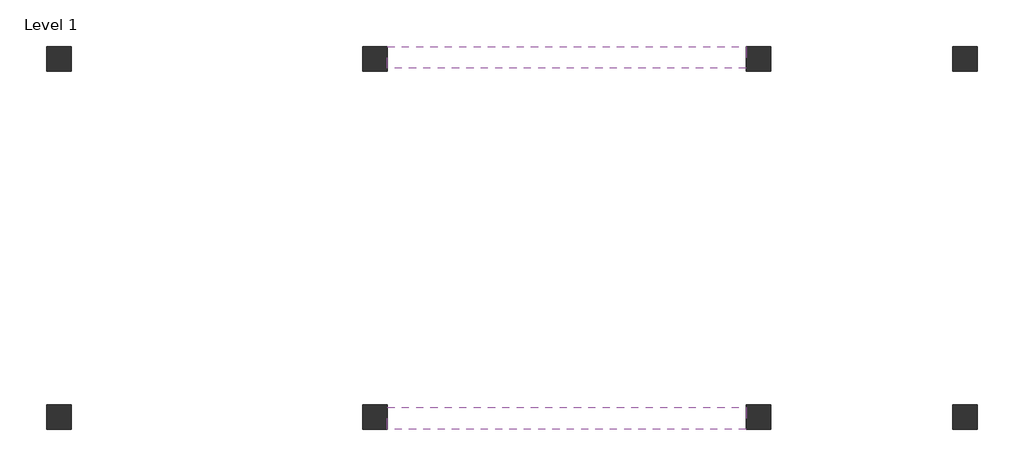
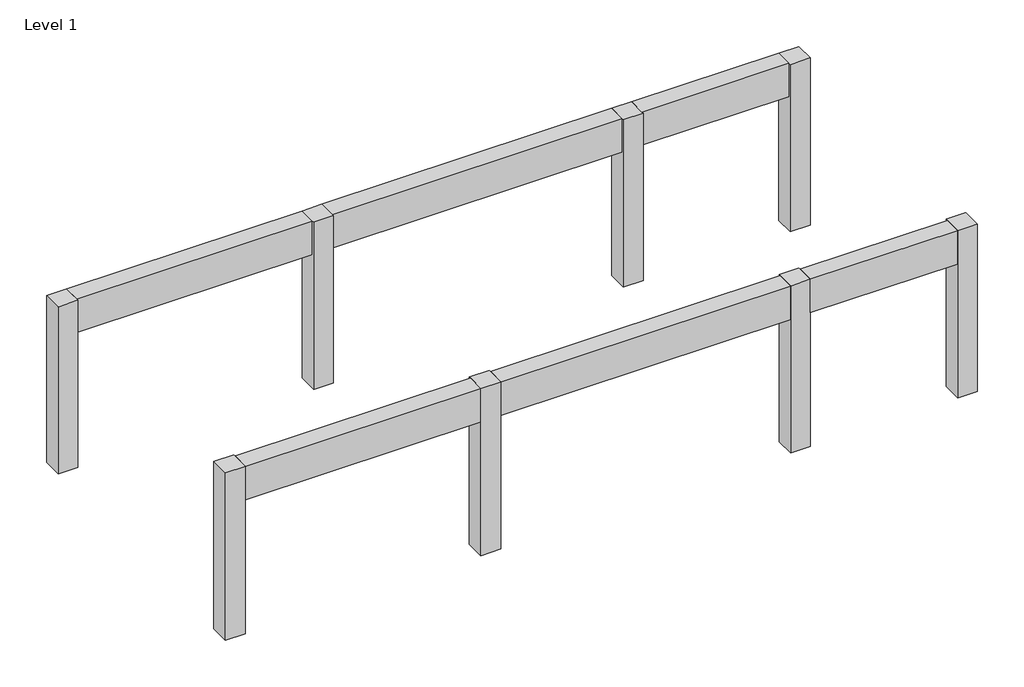
# One storey: 8 columns, 2 beams.
"""IFC4 building model written with IfcOpenShell, lengths in millimetres."""

from ifc_helpers import new_model, si_unit, frame, origin, origin_with_axes, place, context, project, spatial, polyline, outline, extrude, faceted_brep, element, save

model = new_model("IFC4")

# Units and contexts
model_context = context("Model", 3, world=origin())
ifc_project = project(units=[si_unit("LENGTHUNIT", "METRE", prefix="MILLI")], contexts=[model_context])

# Site, building, storey
site = spatial("IfcSite", under=ifc_project)
building = spatial("IfcBuilding", under=site)
storey = spatial("IfcBuildingStorey", under=building, Name="Level 1", Elevation=0.0)

# Beams
placement = place(None, origin())
element("IfcBeam", 1, ObjectType="M_Concrete-Rectangular Beam : 400 x 800mm", at=placement, inside=storey, context=model_context, shape_type="SweptSolid", body=[
    extrude(outline(polyline([(8720.3415535, 6156.9120558), (8720.3415535, 5756.9120558), (5395.3415535, 5756.9120558), (5395.3415535, 6156.9120558), (8720.3415535, 6156.9120558)])), frame((0.0, 0.0, 3200.0), z_axis=(0.0, 0.0, 1.0), x_axis=(1.0, 0.0, 0.0)), (0.0, 0.0, 1.0), 800.0),
    extrude(outline(polyline([(-7379.6584465, 5756.9120558), (-7379.6584465, 6156.9120558), (-2054.6584465, 6156.9120558), (-2054.6584465, 5756.9120558), (-7379.6584465, 5756.9120558)])), frame((0.0, 0.0, 3200.0), z_axis=(0.0, 0.0, 1.0), x_axis=(1.0, 0.0, 0.0)), (0.0, 0.0, 1.0), 800.0),
    extrude(outline(polyline([(-1604.6584465, 5756.9120558), (-1604.6584465, 6156.9120558), (4945.3415535, 6156.9120558), (4945.3415535, 5756.9120558), (-1604.6584465, 5756.9120558)])), frame((0.0, 0.0, 3200.0), z_axis=(0.0, 0.0, 1.0), x_axis=(1.0, 0.0, 0.0)), (0.0, 0.0, 1.0), 800.0),
])
element("IfcBeam", 2, ObjectType="M_Concrete-Rectangular Beam : 400 x 800mm", at=placement, inside=storey, context=model_context, shape_type="SweptSolid", body=[
    extrude(outline(polyline([(-7379.6584465, -843.0879442), (-7379.6584465, -443.0879442), (-2054.6584465, -443.0879442), (-2054.6584465, -843.0879442), (-7379.6584465, -843.0879442)])), frame((0.0, 0.0, 3200.0), z_axis=(0.0, 0.0, 1.0), x_axis=(1.0, 0.0, 0.0)), (0.0, 0.0, 1.0), 800.0),
    extrude(outline(polyline([(-1604.6584465, -843.0879442), (-1604.6584465, -443.0879442), (4945.3415535, -443.0879442), (4945.3415535, -843.0879442), (-1604.6584465, -843.0879442)])), frame((0.0, 0.0, 3200.0), z_axis=(0.0, 0.0, 1.0), x_axis=(1.0, 0.0, 0.0)), (0.0, 0.0, 1.0), 800.0),
    extrude(outline(polyline([(5395.3415535, -843.0879442), (5395.3415535, -443.0879442), (8720.3415535, -443.0879442), (8720.3415535, -843.0879442), (5395.3415535, -843.0879442)])), frame((0.0, 0.0, 3200.0), z_axis=(0.0, 0.0, 1.0), x_axis=(1.0, 0.0, 0.0)), (0.0, 0.0, 1.0), 800.0),
])

# Columns
element("IfcColumn", 3, ObjectType="M_Concrete-Rectangular-Column : 300 x 450mm", at=placement, inside=storey, context=model_context, shape_type="SweptSolid", body=[
    extrude(outline(polyline([(-7379.6584465, 6156.9120558), (-7379.6584465, 5706.9120558), (-7829.6584465, 5706.9120558), (-7829.6584465, 6156.9120558), (-7379.6584465, 6156.9120558)])), origin_with_axes(), (0.0, 0.0, 1.0), 4000.0),
])
element("IfcColumn", 4, ObjectType="M_Concrete-Rectangular-Column : 300 x 450mm", at=placement, inside=storey, context=model_context, shape_type="Brep", body=[
    faceted_brep([(-1604.6584465, 6156.9120558, 0.0), (-1604.6584465, 5706.9120558, 0.0), (-2054.6584465, 5706.9120558, 0.0), (-2054.6584465, 6156.9120558, 0.0), (-1604.6584465, 6156.9120558, 4000.0), (-1604.6584465, 5756.9120558, 4000.0), (-1604.6584465, 5706.9120558, 4000.0), (-1604.6584465, 6156.9120558, 3200.0), (-2054.6584465, 5706.9120558, 4000.0), (-2054.6584465, 5756.9120558, 4000.0), (-2054.6584465, 6156.9120558, 4000.0), (-2054.6584465, 6156.9120558, 3200.0)], [[[0, 1, 2, 3]], [[4, 5, 6, 1, 0, 7]], [[6, 8, 2, 1]], [[8, 9, 10, 11, 3, 2]], [[10, 4, 7, 0, 3, 11]], [[4, 10, 9, 8, 6, 5]]]),
])
element("IfcColumn", 5, ObjectType="M_Concrete-Rectangular-Column : 300 x 450mm", at=placement, inside=storey, context=model_context, shape_type="Brep", body=[
    faceted_brep([(5395.3415535, 6156.9120558, 0.0), (5395.3415535, 5706.9120558, 0.0), (4945.3415535, 5706.9120558, 0.0), (4945.3415535, 6156.9120558, 0.0), (5395.3415535, 6156.9120558, 4000.0), (5395.3415535, 5756.9120558, 4000.0), (5395.3415535, 5706.9120558, 4000.0), (5395.3415535, 6156.9120558, 3200.0), (4945.3415535, 5706.9120558, 4000.0), (4945.3415535, 5756.9120558, 4000.0), (4945.3415535, 6156.9120558, 4000.0), (4945.3415535, 6156.9120558, 3200.0)], [[[0, 1, 2, 3]], [[4, 5, 6, 1, 0, 7]], [[6, 8, 2, 1]], [[8, 9, 10, 11, 3, 2]], [[10, 4, 7, 0, 3, 11]], [[4, 10, 9, 8, 6, 5]]]),
])
element("IfcColumn", 6, ObjectType="M_Concrete-Rectangular-Column : 300 x 450mm", at=placement, inside=storey, context=model_context, shape_type="SweptSolid", body=[
    extrude(outline(polyline([(9170.3415535, 6156.9120558), (9170.3415535, 5706.9120558), (8720.3415535, 5706.9120558), (8720.3415535, 6156.9120558), (9170.3415535, 6156.9120558)])), origin_with_axes(), (0.0, 0.0, 1.0), 4000.0),
])
element("IfcColumn", 7, ObjectType="M_Concrete-Rectangular-Column : 300 x 450mm", at=placement, inside=storey, context=model_context, shape_type="SweptSolid", body=[
    extrude(outline(polyline([(-7379.6584465, -393.0879442), (-7379.6584465, -843.0879442), (-7829.6584465, -843.0879442), (-7829.6584465, -393.0879442), (-7379.6584465, -393.0879442)])), origin_with_axes(), (0.0, 0.0, 1.0), 4000.0),
])
element("IfcColumn", 8, ObjectType="M_Concrete-Rectangular-Column : 300 x 450mm", at=placement, inside=storey, context=model_context, shape_type="Brep", body=[
    faceted_brep([(-1604.6584465, -393.0879442, 0.0), (-1604.6584465, -843.0879442, 0.0), (-2054.6584465, -843.0879442, 0.0), (-2054.6584465, -393.0879442, 0.0), (-1604.6584465, -393.0879442, 4000.0), (-1604.6584465, -443.0879442, 4000.0), (-1604.6584465, -843.0879442, 4000.0), (-1604.6584465, -843.0879442, 3200.0), (-2054.6584465, -843.0879442, 4000.0), (-2054.6584465, -843.0879442, 3200.0), (-2054.6584465, -443.0879442, 4000.0), (-2054.6584465, -393.0879442, 4000.0)], [[[0, 1, 2, 3]], [[4, 5, 6, 7, 1, 0]], [[6, 8, 9, 2, 1, 7]], [[8, 10, 11, 3, 2, 9]], [[11, 4, 0, 3]], [[4, 11, 10, 8, 6, 5]]]),
])
element("IfcColumn", 9, ObjectType="M_Concrete-Rectangular-Column : 300 x 450mm", at=placement, inside=storey, context=model_context, shape_type="Brep", body=[
    faceted_brep([(5395.3415535, -393.0879442, 0.0), (5395.3415535, -843.0879442, 0.0), (4945.3415535, -843.0879442, 0.0), (4945.3415535, -393.0879442, 0.0), (5395.3415535, -393.0879442, 4000.0), (5395.3415535, -443.0879442, 4000.0), (5395.3415535, -843.0879442, 4000.0), (5395.3415535, -843.0879442, 3200.0), (4945.3415535, -843.0879442, 4000.0), (4945.3415535, -843.0879442, 3200.0), (4945.3415535, -443.0879442, 4000.0), (4945.3415535, -393.0879442, 4000.0)], [[[0, 1, 2, 3]], [[4, 5, 6, 7, 1, 0]], [[6, 8, 9, 2, 1, 7]], [[8, 10, 11, 3, 2, 9]], [[11, 4, 0, 3]], [[4, 11, 10, 8, 6, 5]]]),
])
element("IfcColumn", 10, ObjectType="M_Concrete-Rectangular-Column : 300 x 450mm", at=placement, inside=storey, context=model_context, shape_type="SweptSolid", body=[
    extrude(outline(polyline([(9170.3415535, -393.0879442), (9170.3415535, -843.0879442), (8720.3415535, -843.0879442), (8720.3415535, -393.0879442), (9170.3415535, -393.0879442)])), origin_with_axes(), (0.0, 0.0, 1.0), 4000.0),
])

save(model, "model.ifc")
